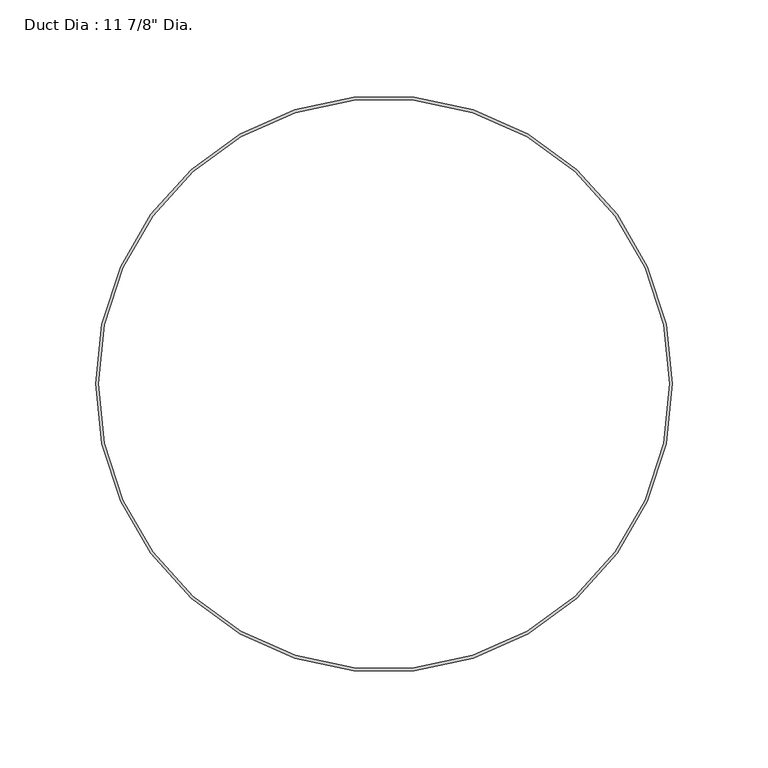
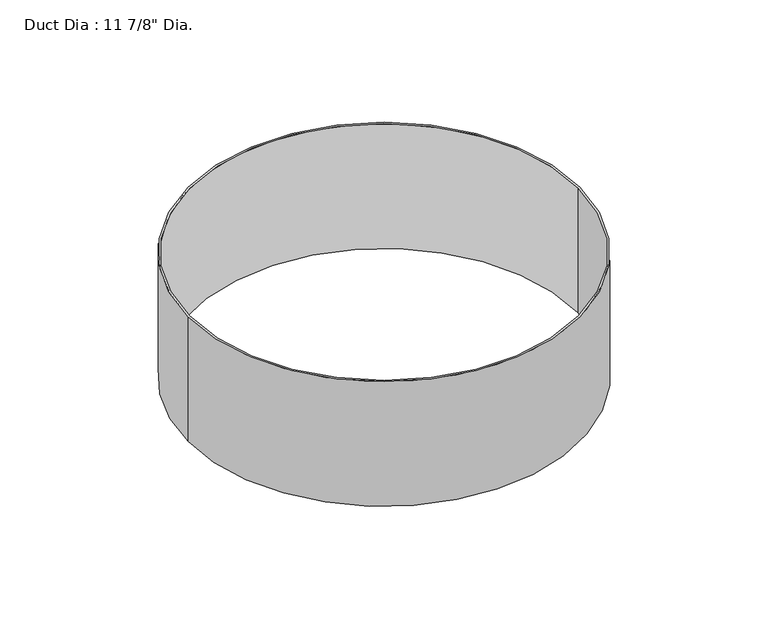
"""IFC4 building model written with IfcOpenShell, lengths in millimetres: proxy geometry."""

from ifc_helpers import new_model, si_unit, point, origin, origin_with_axes, origin_2d, place, context, project, spatial, circle_curve, trimmed, segment, composite_curve, outline, extrude, source, transform, mapped, element, save


def proxy_925fb795(model_context):
    return source(origin(), model_context, "Body", "SweptSolid", [
        extrude(outline(composite_curve([segment(trimmed(circle_curve(origin_2d(), 150.8125), [point((-150.8125, 0.0))], [point((150.8125, 0.0))], False, "CARTESIAN"), True, "CONTINUOUS"), segment(trimmed(circle_curve(origin_2d(), 150.8125), [point((150.8125, 0.0))], [point((-150.8125, 0.0))], False, "CARTESIAN"), True, "CONTINUOUS")], self_intersect=False), holes=[composite_curve([segment(trimmed(circle_curve(origin_2d(), 149.225), [point((-149.225, 0.0))], [point((149.225, 0.0))], True, "CARTESIAN"), True, "CONTINUOUS"), segment(trimmed(circle_curve(origin_2d(), 149.225), [point((149.225, 0.0))], [point((-149.225, 0.0))], True, "CARTESIAN"), True, "CONTINUOUS")], self_intersect=False)]), origin_with_axes(), (0.0, 0.0, 1.0), 101.6),
    ])


if __name__ == "__main__":
    model = new_model("IFC4")
    model_context = context("Model", 3, world=origin())
    ifc_project = project(units=[si_unit("LENGTHUNIT", "METRE", prefix="MILLI")], contexts=[model_context])
    site = spatial("IfcSite", under=ifc_project)
    building = spatial("IfcBuilding", under=site)
    placement = place(None, origin())
    proxy_shape = proxy_925fb795(model_context)
    element("IfcBuildingElementProxy", 1, Name="Duct Dia : 11 7/8\" Dia.", ObjectType="Duct Dia : 11 7/8\" Dia.", at=placement, inside=building, context=model_context, shape_type="MappedRepresentation", body=[
        mapped(proxy_shape, transform((0.0, 0.0, 0.0), x_axis=(1.0, 0.0, 0.0), y_axis=(0.0, 1.0, 0.0), z_axis=(0.0, 0.0, 1.0))),
    ])
    save(model, "model.ifc")
